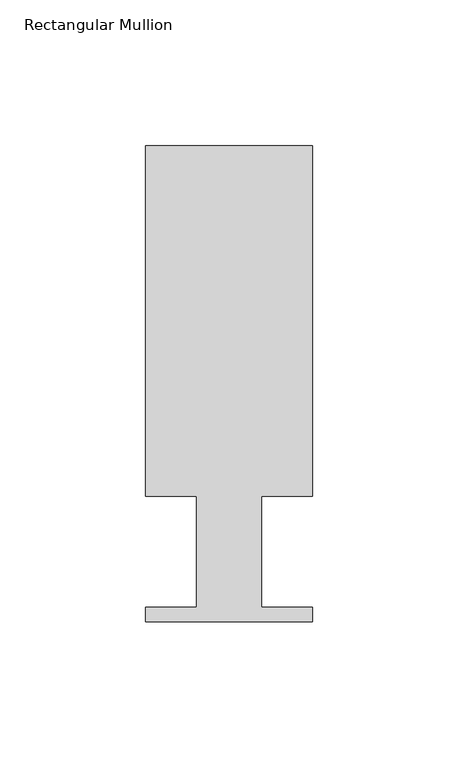
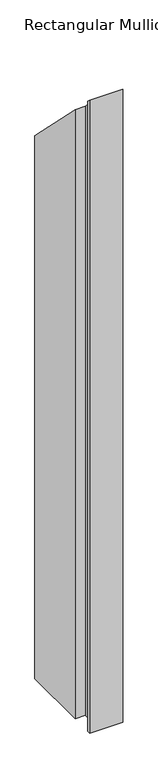
"""IFC4 building model written with IfcOpenShell, lengths in millimetres: member geometry, Rectangular Mullion."""

from ifc_helpers import new_model, si_unit, origin, place, context, project, spatial, faceted_brep, source, transform, mapped, element, save


def rectangular_mullion_59d00abb(model_context):
    return source(origin(), model_context, "Body", "Brep", [
        faceted_brep([(0.0, 151.892, -1140.46), (0.0, 31.75, -1140.46), (-17.4752, 31.75, -1140.46), (-17.4752, -6.35, -1140.46), (0.0, -6.35, -1140.46), (0.0, -11.176, -1140.46), (-57.15, -11.176, -1140.46), (-57.15, -6.35, -1140.46), (-39.6875, -6.35, -1140.46), (-39.6875, 31.75, -1140.46), (-57.15, 31.75, -1140.46), (-57.15, 151.892, -1140.46), (-57.15, 151.892, -151.892), (0.0, 151.892, -151.892), (-57.15, 31.75, -31.75), (-39.6875, 31.75, -31.75), (-39.6875, -6.35, 6.35), (-57.15, -6.35, 6.35), (-57.15, -11.176, 11.176), (0.0, -11.176, 11.176), (0.0, -6.35, 6.35), (-17.4752, -6.35, 6.35), (-17.4752, 31.75, -31.75), (0.0, 31.75, -31.75)], [[[0, 1, 2, 3, 4, 5, 6, 7, 8, 9, 10, 11]], [[12, 13, 0, 11]], [[14, 12, 11, 10]], [[15, 14, 10, 9]], [[16, 15, 9, 8]], [[17, 16, 8, 7]], [[18, 17, 7, 6]], [[19, 18, 6, 5]], [[20, 19, 5, 4]], [[21, 20, 4, 3]], [[22, 21, 3, 2]], [[23, 22, 2, 1]], [[13, 23, 1, 0]], [[13, 12, 14, 15, 16, 17, 18, 19, 20, 21, 22, 23]]]),
    ])


if __name__ == "__main__":
    model = new_model("IFC4")
    model_context = context("Model", 3, world=origin())
    ifc_project = project(units=[si_unit("LENGTHUNIT", "METRE", prefix="MILLI")], contexts=[model_context])
    site = spatial("IfcSite", under=ifc_project)
    building = spatial("IfcBuilding", under=site)
    placement = place(None, origin())
    rectangular_mullion_shape = rectangular_mullion_59d00abb(model_context)
    element("IfcMember", 1, ObjectType="Rectangular Mullion", at=placement, inside=building, context=model_context, shape_type="MappedRepresentation", body=[
        mapped(rectangular_mullion_shape, transform((0.0, 0.0, 0.0), x_axis=(1.0, 0.0, 0.0), y_axis=(0.0, 1.0, 0.0), z_axis=(0.0, 0.0, 1.0))),
    ])
    save(model, "model.ifc")
